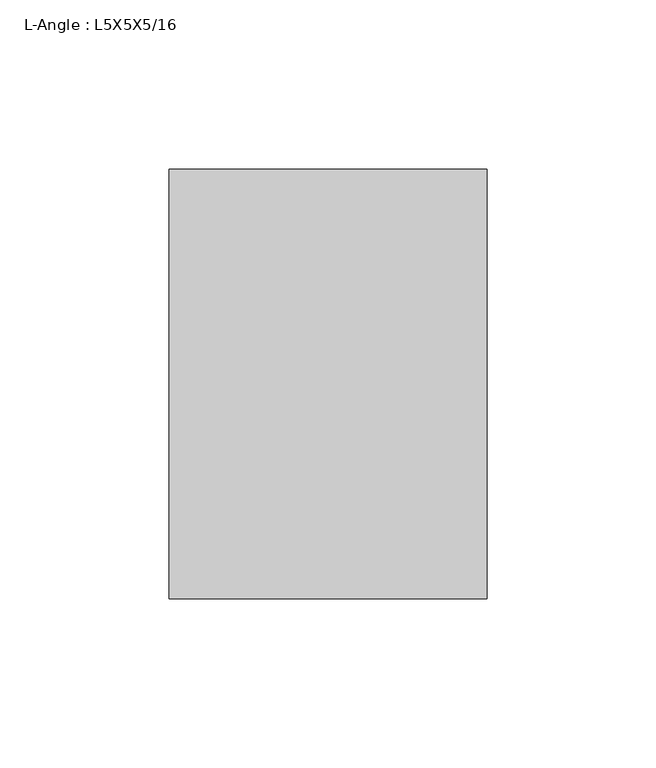
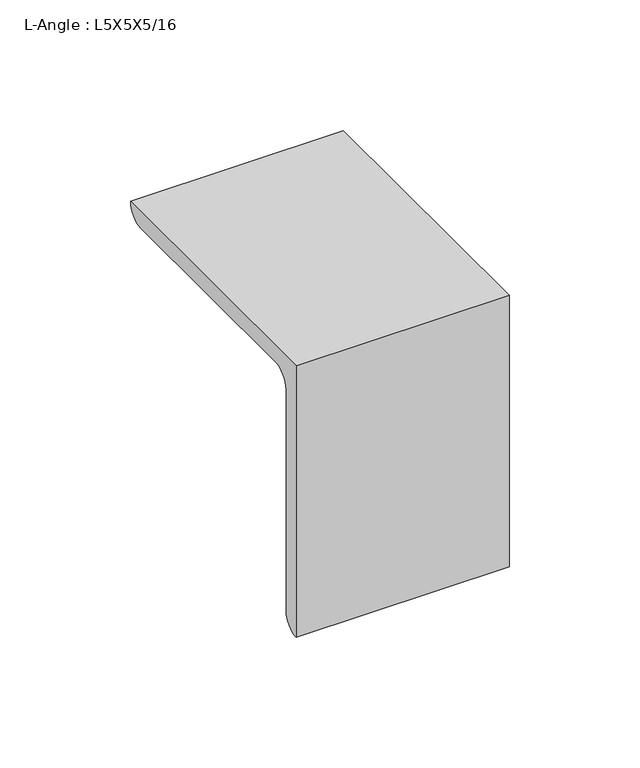
"""IFC4 building model written with IfcOpenShell, lengths in millimetres: beam geometry, L-Angle : L5X5X5/16."""

from ifc_helpers import new_model, si_unit, point, frame, frame_2d, origin, place, context, project, spatial, polyline, circle_curve, trimmed, segment, composite_curve, outline, extrude, source, transform, mapped, element, save


def l_angle_l5x5x5_16_dde5e1e3(model_context):
    return source(origin(), model_context, "Body", "SweptSolid", [
        extrude(outline(composite_curve([segment(polyline([(-34.3296875, 34.3296875), (92.6703125, 34.3296875)]), True, "CONTINUOUS"), segment(trimmed(circle_curve(frame_2d((84.7328125, 34.3296875)), 7.9375), [point((92.6703125, 34.3296875))], [point((84.7328125, 26.3921875))], False, "CARTESIAN"), True, "CONTINUOUS"), segment(polyline([(84.7328125, 26.3921875), (-18.4546875, 26.3921875)]), True, "CONTINUOUS"), segment(trimmed(circle_curve(frame_2d((-18.4546875, 18.4546875)), 7.9375), [point((-18.4546875, 26.3921875))], [point((-26.3921875, 18.4546875))], True, "CARTESIAN"), True, "CONTINUOUS"), segment(polyline([(-26.3921875, 18.4546875), (-26.3921875, -84.7328125)]), True, "CONTINUOUS"), segment(trimmed(circle_curve(frame_2d((-34.3296875, -84.7328125)), 7.9375), [point((-26.3921875, -84.7328125))], [point((-34.3296875, -92.6703125))], False, "CARTESIAN"), True, "CONTINUOUS"), segment(polyline([(-34.3296875, -92.6703125), (-34.3296875, 34.3296875)]), True, "CONTINUOUS")], self_intersect=False)), frame((-47.0296875, 0.0, 0.0), z_axis=(1.0, 0.0, 0.0), x_axis=(0.0, 1.0, 0.0)), (0.0, 0.0, 1.0), 94.059375),
    ])


if __name__ == "__main__":
    model = new_model("IFC4")
    model_context = context("Model", 3, world=origin())
    ifc_project = project(units=[si_unit("LENGTHUNIT", "METRE", prefix="MILLI")], contexts=[model_context])
    site = spatial("IfcSite", under=ifc_project)
    building = spatial("IfcBuilding", under=site)
    placement = place(None, origin())
    l_angle_l5x5x5_16_shape = l_angle_l5x5x5_16_dde5e1e3(model_context)
    element("IfcBeam", 1, ObjectType="L-Angle : L5X5X5/16", at=placement, inside=building, context=model_context, shape_type="MappedRepresentation", body=[
        mapped(l_angle_l5x5x5_16_shape, transform((0.0, 0.0, 0.0), x_axis=(1.0, 0.0, 0.0), y_axis=(0.0, 1.0, 0.0), z_axis=(0.0, 0.0, 1.0))),
    ])
    save(model, "model.ifc")
